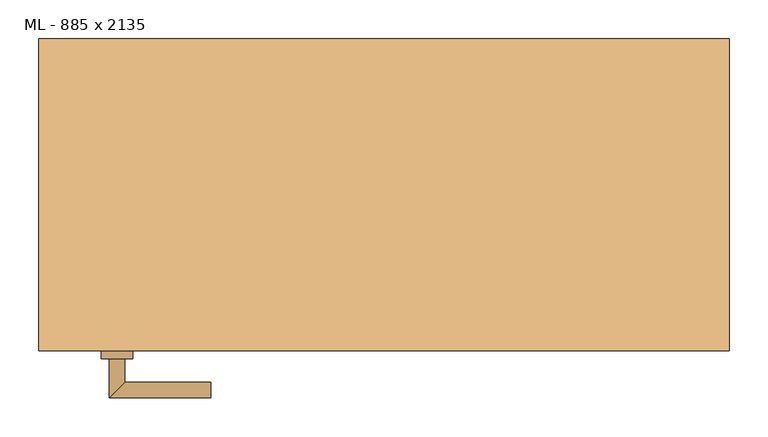
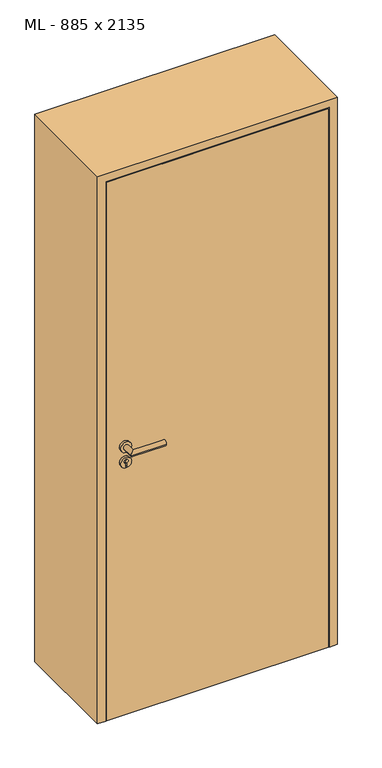
"""IFC4 building model written with IfcOpenShell, lengths in millimetres: door geometry, ML - 885 x 2135."""

from ifc_helpers import new_model, si_unit, point, frame, frame_2d, origin, origin_with_axes, place, context, project, spatial, polyline, circle_curve, ellipse_curve, trimmed, segment, composite_curve, outline, extrude, faceted_brep, source, transform, mapped, element, save
from ifc_brep_helpers import plane_surface, cylinder_surface, advanced_brep


def ml_885_x_2135_a481fce9(model_context):
    return source(origin(), model_context, "Body", "SolidModel", [
        extrude(outline(polyline([(408.5, -200.0), (-408.5, -200.0), (-408.5, -155.0), (408.5, -155.0), (408.5, -200.0)])), origin_with_axes(), (0.0, 0.0, 1.0), 2101.0),
        advanced_brep(
        [(-332.5, -210.0, 1050.0), (-352.5, -210.0, 1050.0), (-352.5, -260.0, 1050.0), (-332.5, -240.0, 1050.0), (-222.5, -240.0, 1050.0), (-222.5, -260.0, 1050.0)],
        [
            (0, 1, circle_curve(frame((-342.5, -210.0, 1050.0), z_axis=(0.0, 1.0, 0.0), x_axis=(-1.0, 0.0, 0.0)), 10.0)),
            (1, 0, circle_curve(frame((-342.5, -210.0, 1050.0), z_axis=(0.0, 1.0, 0.0), x_axis=(-1.0, 0.0, 0.0)), 10.0)),
            (1, 2),
            (2, 3, ellipse_curve(frame((-342.5, -250.0, 1050.0), z_axis=(-0.7071067811865531, 0.7071067811865419, 0.0), x_axis=(0.707106781186542, 0.707106781186553, 0.0)), 14.1421356, 10.0)),
            (3, 0),
            (3, 2, ellipse_curve(frame((-342.5, -250.0, 1050.0), z_axis=(-0.7071067811865531, 0.7071067811865419, 0.0), x_axis=(0.707106781186542, 0.707106781186553, 0.0)), 14.1421356, 10.0)),
            (4, 5, circle_curve(frame((-222.5, -250.0, 1050.0), z_axis=(1.0, 0.0, 0.0), x_axis=(0.0, -1.0, 0.0)), 10.0)),
            (5, 4, circle_curve(frame((-222.5, -250.0, 1050.0), z_axis=(1.0, 0.0, 0.0), x_axis=(0.0, -1.0, 0.0)), 10.0)),
            (2, 5),
            (4, 3),
        ],
        [
            plane_surface(frame((-342.5, -210.0, 1050.0), z_axis=(0.0, 1.0, 0.0), x_axis=(0.0, 0.0, 1.0))),
            cylinder_surface(frame((-342.5, -210.0, 1050.0), z_axis=(0.0, 1.0, 0.0), x_axis=(-1.0, 0.0, 0.0)), 10.0),
            plane_surface(frame((-222.5, -250.0, 1050.0), z_axis=(1.0, 0.0, 0.0), x_axis=(0.0, 0.0, 1.0))),
            cylinder_surface(frame((-342.5, -250.0, 1050.0), z_axis=(-1.0, 0.0, 0.0), x_axis=(0.0, -1.0, 0.0)), 10.0),
        ],
        [
            (0, [[1, 2]]),
            (1, [[3, 4, 5, -2]]),
            (1, [[-5, 6, -3, -1]]),
            (2, [[7, 8]]),
            (3, [[9, -7, 10, -4]]),
            (3, [[-10, -8, -9, -6]]),
        ],
    ),
        extrude(outline(composite_curve([segment(trimmed(circle_curve(frame_2d((990.0, -342.5)), 20.0), [point((990.0, -362.5))], [point((990.0, -322.5))], False, "CARTESIAN"), True, "CONTINUOUS"), segment(trimmed(circle_curve(frame_2d((990.0, -342.5)), 20.0), [point((990.0, -322.5))], [point((990.0, -362.5))], False, "CARTESIAN"), True, "CONTINUOUS")], self_intersect=False), holes=[composite_curve([segment(polyline([(976.4601385, -344.897268), (988.4749012, -344.897268)]), True, "CONTINUOUS"), segment(trimmed(circle_curve(frame_2d((995.0361633, -342.5)), 6.9854888), [point((988.4749012, -344.897268))], [point((988.4749012, -340.102732))], True, "CARTESIAN"), True, "CONTINUOUS"), segment(polyline([(988.4749012, -340.102732), (976.4601385, -340.102732)]), True, "CONTINUOUS"), segment(trimmed(circle_curve(frame_2d((976.4601385, -342.5)), 2.397268), [point((976.4601385, -340.102732))], [point((976.4601385, -344.897268))], True, "CARTESIAN"), True, "CONTINUOUS")], self_intersect=False)]), frame((0.0, -210.0, 0.0), z_axis=(0.0, 1.0, 0.0), x_axis=(0.0, 0.0, 1.0)), (0.0, 0.0, 1.0), 10.0),
        advanced_brep(
        [(-332.5, -210.0, 1050.0), (-352.5, -210.0, 1050.0), (-352.5, -260.0, 1050.0), (-332.5, -240.0, 1050.0), (-222.5, -240.0, 1050.0), (-222.5, -260.0, 1050.0)],
        [
            (0, 1, circle_curve(frame((-342.5, -210.0, 1050.0), z_axis=(0.0, 1.0, 0.0), x_axis=(-1.0, 0.0, 0.0)), 10.0)),
            (1, 0, circle_curve(frame((-342.5, -210.0, 1050.0), z_axis=(0.0, 1.0, 0.0), x_axis=(-1.0, 0.0, 0.0)), 10.0)),
            (1, 2),
            (2, 3, ellipse_curve(frame((-342.5, -250.0, 1050.0), z_axis=(-0.7071067811865537, 0.7071067811865414, 0.0), x_axis=(0.7071067811865414, 0.7071067811865536, 0.0)), 14.1421356, 10.0)),
            (3, 0),
            (3, 2, ellipse_curve(frame((-342.5, -250.0, 1050.0), z_axis=(-0.7071067811865537, 0.7071067811865414, 0.0), x_axis=(0.7071067811865414, 0.7071067811865536, 0.0)), 14.1421356, 10.0)),
            (4, 5, circle_curve(frame((-222.5, -250.0, 1050.0), z_axis=(1.0, 0.0, 0.0), x_axis=(0.0, -1.0, 0.0)), 10.0)),
            (5, 4, circle_curve(frame((-222.5, -250.0, 1050.0), z_axis=(1.0, 0.0, 0.0), x_axis=(0.0, -1.0, 0.0)), 10.0)),
            (2, 5),
            (4, 3),
        ],
        [
            plane_surface(frame((-342.5, -210.0, 1050.0), z_axis=(0.0, 1.0, 0.0), x_axis=(0.0, 0.0, 1.0))),
            cylinder_surface(frame((-342.5, -210.0, 1050.0), z_axis=(0.0, 1.0, 0.0), x_axis=(-1.0, 0.0, 0.0)), 10.0),
            plane_surface(frame((-222.5, -250.0, 1050.0), z_axis=(1.0, 0.0, 0.0), x_axis=(0.0, 0.0, 1.0))),
            cylinder_surface(frame((-342.5, -250.0, 1050.0), z_axis=(-1.0, 0.0, 0.0), x_axis=(0.0, -1.0, 0.0)), 10.0),
        ],
        [
            (0, [[1, 2]]),
            (1, [[3, 4, 5, -2]]),
            (1, [[-5, 6, -3, -1]]),
            (2, [[7, 8]]),
            (3, [[9, -7, 10, -4]]),
            (3, [[-10, -8, -9, -6]]),
        ],
    ),
        extrude(outline(composite_curve([segment(trimmed(circle_curve(frame_2d((1050.0, -342.5)), 20.0), [point((1050.0, -362.5))], [point((1050.0, -322.5))], False, "CARTESIAN"), True, "CONTINUOUS"), segment(trimmed(circle_curve(frame_2d((1050.0, -342.5)), 20.0), [point((1050.0, -322.5))], [point((1050.0, -362.5))], False, "CARTESIAN"), True, "CONTINUOUS")], self_intersect=False)), frame((0.0, -210.0, 0.0), z_axis=(0.0, 1.0, 0.0), x_axis=(0.0, 0.0, 1.0)), (0.0, 0.0, 1.0), 10.0),
        advanced_brep(
        [(-332.5, -145.0, 1050.0), (-352.5, -145.0, 1050.0), (-332.5, -115.0, 1050.0), (-352.5, -95.0, 1050.0), (-222.5, -115.0, 1050.0), (-222.5, -95.0, 1050.0)],
        [
            (0, 1, circle_curve(frame((-342.5, -145.0, 1050.0), z_axis=(0.0, -1.0, 0.0), x_axis=(-1.0, 0.0, 0.0)), 10.0)),
            (1, 0, circle_curve(frame((-342.5, -145.0, 1050.0), z_axis=(0.0, -1.0, 0.0), x_axis=(-1.0, 0.0, 0.0)), 10.0)),
            (0, 2),
            (2, 3, ellipse_curve(frame((-342.5, -105.0, 1050.0), z_axis=(-0.7071067811865486, -0.7071067811865464, 0.0), x_axis=(0.7071067811865464, -0.7071067811865488, 0.0)), 14.1421356, 10.0)),
            (3, 1),
            (3, 2, ellipse_curve(frame((-342.5, -105.0, 1050.0), z_axis=(-0.7071067811865486, -0.7071067811865464, 0.0), x_axis=(0.7071067811865464, -0.7071067811865488, 0.0)), 14.1421356, 10.0)),
            (4, 5, circle_curve(frame((-222.5, -105.0, 1050.0), z_axis=(1.0, 0.0, 0.0), x_axis=(0.0, 1.0, 0.0)), 10.0)),
            (5, 4, circle_curve(frame((-222.5, -105.0, 1050.0), z_axis=(1.0, 0.0, 0.0), x_axis=(0.0, 1.0, 0.0)), 10.0)),
            (2, 4),
            (5, 3),
        ],
        [
            plane_surface(frame((-342.5, -145.0, 1050.0), z_axis=(0.0, -1.0, 0.0), x_axis=(0.0, 0.0, 1.0))),
            cylinder_surface(frame((-342.5, -145.0, 1050.0), z_axis=(0.0, -1.0, 0.0), x_axis=(-1.0, 0.0, 0.0)), 10.0),
            plane_surface(frame((-222.5, -105.0, 1050.0), z_axis=(1.0, 0.0, 0.0), x_axis=(0.0, 0.0, 1.0))),
            cylinder_surface(frame((-342.5, -105.0, 1050.0), z_axis=(-1.0, 0.0, 0.0), x_axis=(0.0, 1.0, 0.0)), 10.0),
        ],
        [
            (0, [[1, 2]]),
            (1, [[-1, 3, 4, 5]]),
            (1, [[-2, -5, 6, -3]]),
            (2, [[7, 8]]),
            (3, [[-4, 9, -8, 10]]),
            (3, [[-6, -10, -7, -9]]),
        ],
    ),
        extrude(outline(composite_curve([segment(trimmed(circle_curve(frame_2d((990.0, -342.5)), 20.0), [point((990.0, -362.5))], [point((990.0, -322.5))], False, "CARTESIAN"), True, "CONTINUOUS"), segment(trimmed(circle_curve(frame_2d((990.0, -342.5)), 20.0), [point((990.0, -322.5))], [point((990.0, -362.5))], False, "CARTESIAN"), True, "CONTINUOUS")], self_intersect=False), holes=[composite_curve([segment(polyline([(976.4601385, -344.897268), (988.4749012, -344.897268)]), True, "CONTINUOUS"), segment(trimmed(circle_curve(frame_2d((995.0361633, -342.5)), 6.9854888), [point((988.4749012, -344.897268))], [point((988.4749012, -340.102732))], True, "CARTESIAN"), True, "CONTINUOUS"), segment(polyline([(988.4749012, -340.102732), (976.4601385, -340.102732)]), True, "CONTINUOUS"), segment(trimmed(circle_curve(frame_2d((976.4601385, -342.5)), 2.397268), [point((976.4601385, -340.102732))], [point((976.4601385, -344.897268))], True, "CARTESIAN"), True, "CONTINUOUS")], self_intersect=False)]), frame((0.0, -155.0, 0.0), z_axis=(0.0, 1.0, 0.0), x_axis=(0.0, 0.0, 1.0)), (0.0, 0.0, 1.0), 10.0),
        advanced_brep(
        [(-332.5, -145.0, 1050.0), (-352.5, -145.0, 1050.0), (-332.5, -115.0, 1050.0), (-352.5, -95.0, 1050.0), (-222.5, -115.0, 1050.0), (-222.5, -95.0, 1050.0)],
        [
            (0, 1, circle_curve(frame((-342.5, -145.0, 1050.0), z_axis=(0.0, -1.0, 0.0), x_axis=(-1.0, 0.0, 0.0)), 10.0)),
            (1, 0, circle_curve(frame((-342.5, -145.0, 1050.0), z_axis=(0.0, -1.0, 0.0), x_axis=(-1.0, 0.0, 0.0)), 10.0)),
            (0, 2),
            (2, 3, ellipse_curve(frame((-342.5, -105.0, 1050.0), z_axis=(-0.7071067811865491, -0.7071067811865459, 0.0), x_axis=(0.7071067811865458, -0.7071067811865492, 0.0)), 14.1421356, 10.0)),
            (3, 1),
            (3, 2, ellipse_curve(frame((-342.5, -105.0, 1050.0), z_axis=(-0.7071067811865491, -0.7071067811865459, 0.0), x_axis=(0.7071067811865458, -0.7071067811865492, 0.0)), 14.1421356, 10.0)),
            (4, 5, circle_curve(frame((-222.5, -105.0, 1050.0), z_axis=(1.0, 0.0, 0.0), x_axis=(0.0, 1.0, 0.0)), 10.0)),
            (5, 4, circle_curve(frame((-222.5, -105.0, 1050.0), z_axis=(1.0, 0.0, 0.0), x_axis=(0.0, 1.0, 0.0)), 10.0)),
            (2, 4),
            (5, 3),
        ],
        [
            plane_surface(frame((-342.5, -145.0, 1050.0), z_axis=(0.0, -1.0, 0.0), x_axis=(0.0, 0.0, 1.0))),
            cylinder_surface(frame((-342.5, -145.0, 1050.0), z_axis=(0.0, -1.0, 0.0), x_axis=(-1.0, 0.0, 0.0)), 10.0),
            plane_surface(frame((-222.5, -105.0, 1050.0), z_axis=(1.0, 0.0, 0.0), x_axis=(0.0, 0.0, 1.0))),
            cylinder_surface(frame((-342.5, -105.0, 1050.0), z_axis=(-1.0, 0.0, 0.0), x_axis=(0.0, 1.0, 0.0)), 10.0),
        ],
        [
            (0, [[1, 2]]),
            (1, [[-1, 3, 4, 5]]),
            (1, [[-2, -5, 6, -3]]),
            (2, [[7, 8]]),
            (3, [[-4, 9, -8, 10]]),
            (3, [[-6, -10, -7, -9]]),
        ],
    ),
        extrude(outline(composite_curve([segment(trimmed(circle_curve(frame_2d((1050.0, -342.5)), 20.0), [point((1050.0, -362.5))], [point((1050.0, -322.5))], False, "CARTESIAN"), True, "CONTINUOUS"), segment(trimmed(circle_curve(frame_2d((1050.0, -342.5)), 20.0), [point((1050.0, -322.5))], [point((1050.0, -362.5))], False, "CARTESIAN"), True, "CONTINUOUS")], self_intersect=False)), frame((0.0, -155.0, 0.0), z_axis=(0.0, 1.0, 0.0), x_axis=(0.0, 0.0, 1.0)), (0.0, 0.0, 1.0), 10.0),
        faceted_brep([(-412.5, -200.0, 0.0), (-442.5, -200.0, 0.0), (-442.5, 200.0, 0.0), (-397.5, 200.0, 0.0), (-397.5, -155.0, 0.0), (-412.5, -155.0, 0.0), (-412.5, -155.0, 2105.0), (-412.5, -200.0, 2105.0), (-397.5, -155.0, 2090.0), (397.5, -155.0, 2090.0), (397.5, -155.0, 0.0), (412.5, -155.0, 0.0), (412.5, -155.0, 2105.0), (-397.5, 200.0, 2090.0), (-442.5, 200.0, 2135.0), (442.5, 200.0, 2135.0), (442.5, 200.0, 0.0), (397.5, 200.0, 0.0), (397.5, 200.0, 2090.0), (-442.5, -200.0, 2135.0), (412.5, -200.0, 2105.0), (412.5, -200.0, 0.0), (442.5, -200.0, 0.0), (442.5, -200.0, 2135.0)], [[[0, 1, 2, 3, 4, 5]], [[5, 6, 7, 0]], [[4, 8, 9, 10, 11, 12, 6, 5]], [[3, 13, 8, 4]], [[2, 14, 15, 16, 17, 18, 13, 3]], [[1, 19, 14, 2]], [[0, 7, 20, 21, 22, 23, 19, 1]], [[23, 22, 16, 15]], [[21, 11, 10, 17, 16, 22]], [[12, 11, 21, 20]], [[18, 17, 10, 9]], [[19, 23, 15, 14]], [[13, 18, 9, 8]], [[6, 12, 20, 7]]]),
    ])


if __name__ == "__main__":
    model = new_model("IFC4")
    model_context = context("Model", 3, world=origin())
    ifc_project = project(units=[si_unit("LENGTHUNIT", "METRE", prefix="MILLI")], contexts=[model_context])
    site = spatial("IfcSite", under=ifc_project)
    building = spatial("IfcBuilding", under=site)
    placement = place(None, origin())
    ml_885_x_2135_shape = ml_885_x_2135_a481fce9(model_context)
    element("IfcDoor", 1, ObjectType="ML - 885 x 2135", at=placement, inside=building, context=model_context, shape_type="MappedRepresentation", body=[
        mapped(ml_885_x_2135_shape, transform((0.0, 0.0, 0.0), x_axis=(1.0, 0.0, 0.0), y_axis=(0.0, 1.0, 0.0), z_axis=(0.0, 0.0, 1.0))),
    ])
    save(model, "model.ifc")
